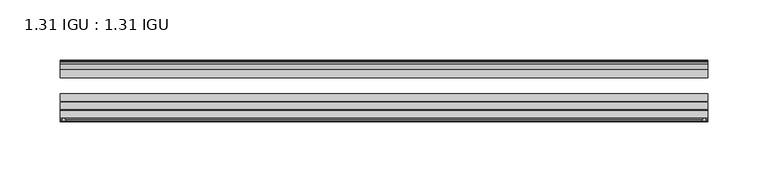
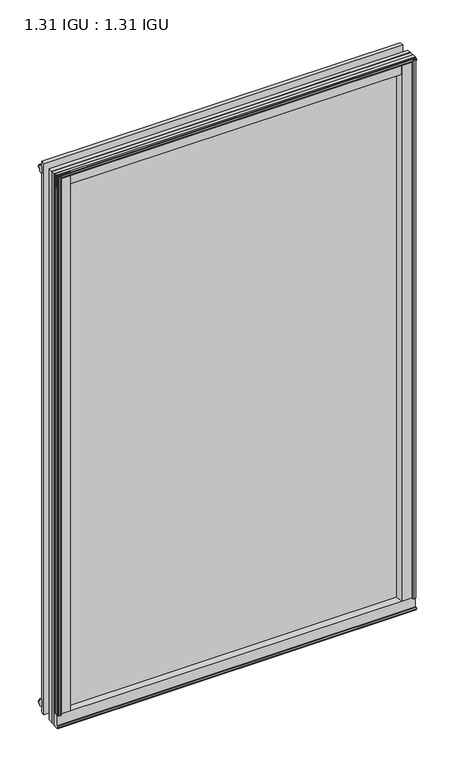
"""IFC4 building model written with IfcOpenShell, lengths in millimetres: plate geometry, 1.31 IGU : 1.31 IGU."""

from ifc_helpers import new_model, si_unit, point, frame, frame_2d, origin, origin_with_axes, place, context, project, spatial, polyline, circle_curve, trimmed, segment, composite_curve, outline, extrude, source, transform, mapped, element, save


def plate_1_31_igu_1_31_igu_d488ec67(model_context):
    return source(origin(), model_context, "Body", "SweptSolid", [
        extrude(outline(composite_curve([segment(polyline([(265.1245906, -57.6333938), (248.9398437, -57.6333938)]), True, "CONTINUOUS"), segment(trimmed(circle_curve(frame_2d((241.6451146, -57.6547678)), 7.2947605), [point((248.9398437, -57.6333938))], [point((245.1974551, -51.2833938))], True, "CARTESIAN"), True, "CONTINUOUS"), segment(polyline([(245.1974551, -51.2833938), (268.067876, -51.2833938)]), True, "CONTINUOUS"), segment(trimmed(circle_curve(frame_2d((268.067876, -52.0707938)), 0.7874), [point((268.067876, -51.2833938))], [point((268.8494069, -51.9748338))], False, "CARTESIAN"), True, "CONTINUOUS"), segment(polyline([(268.8494069, -51.9748338), (269.5441906, -57.6333938), (267.6137906, -57.6333938), (267.1565906, -59.624458), (268.1579525, -59.3561439), (268.4011906, -60.263921), (266.3691906, -60.8083938), (264.3371906, -60.263921), (264.5804288, -59.3561439), (265.5817906, -59.624458), (265.1245906, -57.6333938)]), True, "CONTINUOUS")], self_intersect=False)), origin_with_axes(), (0.0, 0.0, 1.0), 857.25),
        extrude(outline(composite_curve([segment(polyline([(-249.2375, -57.6333937), (-265.4222469, -57.6333937), (-265.8794469, -59.624458), (-264.878085, -59.3561439), (-264.6348469, -60.263921), (-266.6668469, -60.8083937), (-268.6988469, -60.263921), (-268.4556088, -59.3561439), (-267.4542469, -59.624458), (-267.9114469, -57.6333937), (-269.8418469, -57.6333937), (-269.1470631, -51.9748338)]), True, "CONTINUOUS"), segment(trimmed(circle_curve(frame_2d((-268.3655323, -52.0707937)), 0.7874), [point((-269.1470631, -51.9748338))], [point((-268.3655323, -51.2833937))], False, "CARTESIAN"), True, "CONTINUOUS"), segment(polyline([(-268.3655323, -51.2833937), (-245.4951114, -51.2833937)]), True, "CONTINUOUS"), segment(trimmed(circle_curve(frame_2d((-241.9427708, -57.6547678)), 7.2947605), [point((-245.4951114, -51.2833937))], [point((-249.2375, -57.6333937))], True, "CARTESIAN"), True, "CONTINUOUS")], self_intersect=False)), origin_with_axes(), (0.0, 0.0, 1.0), 857.25),
        extrude(outline(polyline([(-9.7543937, -6.8579998), (-10.4009552, -9.2709998), (-11.2596632, -9.0409097), (-10.8839895, -7.6388763), (-13.1833937, -8.3819998), (-13.1833937, -11.7850089), (-17.9585937, -10.1533914), (-17.9585937, 0.6595133), (-13.1833937, -0.5079998), (-13.1833937, -5.4609998), (-10.8839895, -6.0771233), (-11.2596632, -4.6750899), (-10.4009552, -4.4449998), (-9.7543937, -6.8579998)])), frame((-269.875, 0.0, 0.0), z_axis=(1.0, 0.0, 0.0), x_axis=(0.0, 1.0, 0.0)), (0.0, 0.0, 1.0), 539.4523438),
        extrude(outline(composite_curve([segment(polyline([(-51.9748338, -19.930016), (-57.6333937, -20.6247998), (-57.6333937, -18.6943998), (-59.624458, -18.2371998), (-59.3561439, -19.2385617), (-60.263921, -19.4817998), (-60.8083937, -17.4497998), (-60.263921, -15.4177998), (-59.3561439, -15.6610379), (-59.624458, -16.6623998), (-57.6333937, -16.2051998), (-57.6333937, 0.0127002)]), True, "CONTINUOUS"), segment(trimmed(circle_curve(frame_2d((-58.1588233, 7.9620141)), 7.9666598), [point((-57.6333937, 0.0127002))], [point((-51.2833937, 3.9375717))], True, "CARTESIAN"), True, "CONTINUOUS"), segment(polyline([(-51.2833937, 3.9375717), (-51.2833937, -19.1484852)]), True, "CONTINUOUS"), segment(trimmed(circle_curve(frame_2d((-52.0707937, -19.1484852)), 0.7874), [point((-51.2833937, -19.1484852))], [point((-51.9748338, -19.930016))], False, "CARTESIAN"), True, "CONTINUOUS")], self_intersect=False)), frame((-269.875, 0.0, 0.0), z_axis=(1.0, 0.0, 0.0), x_axis=(0.0, 1.0, 0.0)), (0.0, 0.0, 1.0), 539.4523438),
        extrude(outline(polyline([(-17.9585937, 848.3533914), (-13.1833937, 849.9850089), (-13.1833937, 846.5819998), (-10.8839895, 845.8388763), (-11.2596632, 847.2409097), (-10.4009552, 847.4709998), (-9.7543937, 845.0579998), (-10.4009552, 842.6449998), (-11.2596632, 842.8750899), (-10.8839895, 844.2771233), (-13.1833937, 843.6609998), (-13.1833937, 838.7079998), (-17.9585937, 837.5404867), (-17.9585937, 848.3533914)])), frame((-269.875, 0.0, 0.0), z_axis=(1.0, 0.0, 0.0), x_axis=(0.0, 1.0, 0.0)), (0.0, 0.0, 1.0), 539.4523438),
        extrude(outline(composite_curve([segment(trimmed(circle_curve(frame_2d((-52.0707937, 857.3484852)), 0.7874), [point((-51.9748338, 858.130016))], [point((-51.2833937, 857.3484852))], False, "CARTESIAN"), True, "CONTINUOUS"), segment(polyline([(-51.2833937, 857.3484852), (-51.2833937, 834.2624283)]), True, "CONTINUOUS"), segment(trimmed(circle_curve(frame_2d((-58.1588233, 830.2379859)), 7.9666598), [point((-51.2833937, 834.2624283))], [point((-57.6333937, 838.1872998))], True, "CARTESIAN"), True, "CONTINUOUS"), segment(polyline([(-57.6333937, 838.1872998), (-57.6333937, 854.4051998), (-59.624458, 854.8623998), (-59.3561439, 853.8610379), (-60.263921, 853.6177998), (-60.8083937, 855.6497998), (-60.263921, 857.6817998), (-59.3561439, 857.4385617), (-59.624458, 856.4371998), (-57.6333937, 856.8943998), (-57.6333937, 858.8247998), (-51.9748338, 858.130016)]), True, "CONTINUOUS")], self_intersect=False)), frame((-269.875, 0.0, 0.0), z_axis=(1.0, 0.0, 0.0), x_axis=(0.0, 1.0, 0.0)), (0.0, 0.0, 1.0), 539.4523438),
        extrude(outline(polyline([(-258.4638763, -10.8839895), (-259.8659097, -11.2596632), (-260.0959998, -10.4009552), (-257.6829998, -9.7543937), (-255.2699998, -10.4009552), (-255.5000899, -11.2596632), (-256.9021233, -10.8839895), (-256.2859998, -13.1833937), (-251.3329998, -13.1833937), (-250.1654867, -17.9585937), (-260.9783914, -17.9585937), (-262.6100089, -13.1833937), (-259.2069998, -13.1833937), (-258.4638763, -10.8839895)])), origin_with_axes(), (0.0, 0.0, 1.0), 838.2),
        extrude(outline(polyline([(258.4765765, -10.8839895), (259.2197, -13.1833937), (262.6227091, -13.1833937), (260.9910916, -17.9585937), (250.1781869, -17.9585937), (251.3457, -13.1833937), (256.2987, -13.1833937), (256.9148235, -10.8839895), (255.5127901, -11.2596632), (255.2827, -10.4009552), (257.6957, -9.7543937), (260.1087, -10.4009552), (259.8786099, -11.2596632), (258.4765765, -10.8839895)])), origin_with_axes(), (0.0, 0.0, 1.0), 838.2),
        extrude(outline(polyline([(269.5773437, -17.9585937), (269.5773437, -24.3085937), (-269.875, -24.3085937), (-269.875, -17.9585937), (269.5773437, -17.9585937)])), frame((0.0, 0.0, -19.0372998), z_axis=(0.0, 0.0, 1.0), x_axis=(1.0, 0.0, 0.0)), (0.0, 0.0, 1.0), 876.2872998),
        extrude(outline(polyline([(-269.875, -44.1459937), (-269.875, -37.7959937), (269.5773437, -37.7959937), (269.5773437, -44.1459937), (-269.875, -44.1459937)])), frame((0.0, 0.0, -19.0372998), z_axis=(0.0, 0.0, 1.0), x_axis=(1.0, 0.0, 0.0)), (0.0, 0.0, 1.0), 876.2872998),
        extrude(outline(polyline([(-269.875, -51.2833937), (-269.875, -44.9333937), (269.5773437, -44.9333937), (269.5773437, -51.2833937), (-269.875, -51.2833937)])), frame((0.0, 0.0, -19.0372998), z_axis=(0.0, 0.0, 1.0), x_axis=(1.0, 0.0, 0.0)), (0.0, 0.0, 1.0), 876.2872998),
    ])


if __name__ == "__main__":
    model = new_model("IFC4")
    model_context = context("Model", 3, world=origin())
    ifc_project = project(units=[si_unit("LENGTHUNIT", "METRE", prefix="MILLI")], contexts=[model_context])
    site = spatial("IfcSite", under=ifc_project)
    building = spatial("IfcBuilding", under=site)
    placement = place(None, origin())
    plate_1_31_igu_1_31_igu_shape = plate_1_31_igu_1_31_igu_d488ec67(model_context)
    element("IfcPlate", 1, ObjectType="1.31 IGU : 1.31 IGU", at=placement, inside=building, context=model_context, shape_type="MappedRepresentation", body=[
        mapped(plate_1_31_igu_1_31_igu_shape, transform((0.0, 0.0, 0.0), x_axis=(1.0, 0.0, 0.0), y_axis=(0.0, 1.0, 0.0), z_axis=(0.0, 0.0, 1.0))),
    ])
    save(model, "model.ifc")
